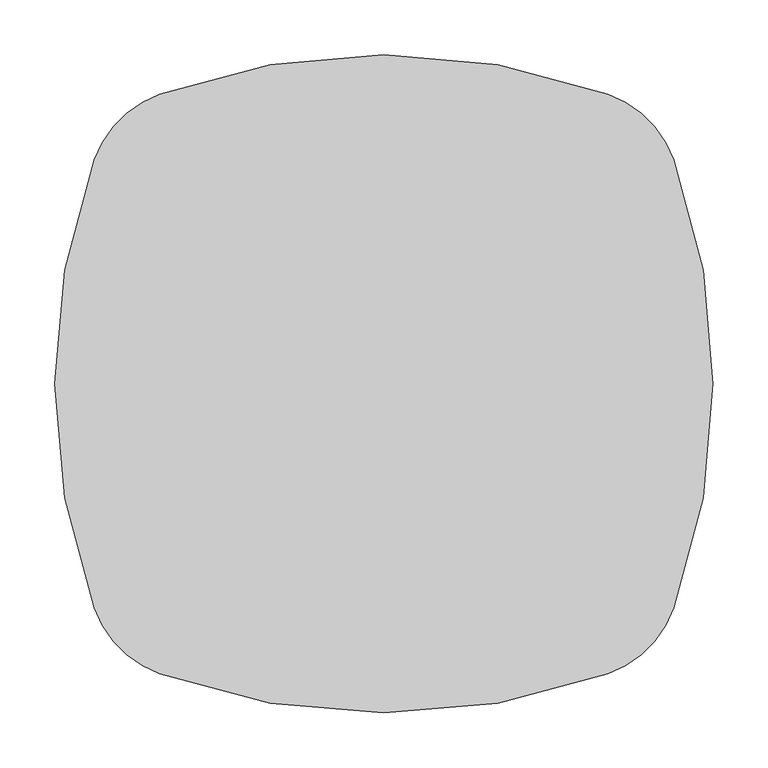
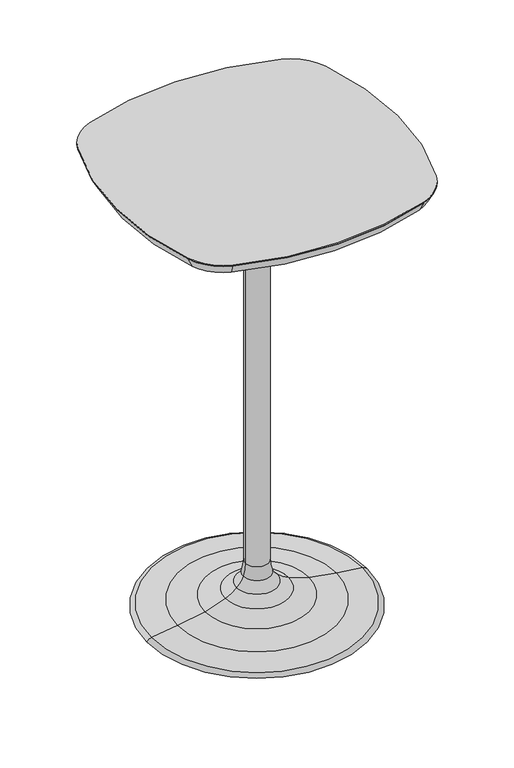
"""IFC4 building model written with IfcOpenShell, lengths in millimetres: furniture geometry."""

from ifc_helpers import new_model, si_unit, point, frame, frame_2d, origin, place, context, project, spatial, polyline, circle_curve, ellipse_curve, trimmed, segment, composite_curve, outline, extrude, source, transform, mapped, element, save
from ifc_brep_helpers import plane_surface, cylinder_surface, revolved_surface, advanced_brep


def furniture_60706d68(model_context):
    return source(origin(), model_context, "Body", "SolidModel", [
        advanced_brep(
        [(-24.92375, 0.0, 103.9034704), (24.92375, 0.0, 103.9034704), (28.9852947, 0.0, 76.2614348), (-28.9852947, 0.0, 76.2614348), (-235.1702385, 0.0, 0.0), (235.1702385, 0.0, 0.0), (0.0, 0.0, 0.0), (-225.5797628, 0.0, 6.3317609), (225.5797628, 0.0, 6.3317609), (-169.5916105, 0.0, 13.7450132), (169.5916105, 0.0, 13.7450132), (-111.1444513, 0.0, 24.5145298), (111.1444513, 0.0, 24.5145298), (-67.9920708, 0.0, 39.4343904), (67.9920708, 0.0, 39.4343904), (-43.5947227, 0.0, 55.2178338), (43.5947227, 0.0, 55.2178338), (-24.92375, 0.0, 973.9122), (24.92375, 0.0, 973.9122), (0.0, 0.0, 973.9122)],
        [
            (0, 1, circle_curve(frame((0.0, 0.0, 103.9034704), z_axis=(0.0, 0.0, -1.0), x_axis=(1.0, 0.0, 0.0)), 24.92375)),
            (1, 2, circle_curve(frame((114.4590349, 0.0, 102.9398086), z_axis=(0.0, -1.0, 0.0), x_axis=(1.0, 0.0, 0.0)), 89.5404706)),
            (2, 3, circle_curve(frame((0.0, 0.0, 76.2614348), z_axis=(0.0, 0.0, 1.0), x_axis=(1.0, 0.0, 0.0)), 28.9852947)),
            (3, 0, circle_curve(frame((-114.4590349, 0.0, 102.9398086), z_axis=(0.0, -1.0, 0.0), x_axis=(-1.0, 0.0, 0.0)), 89.5404706)),
            (1, 0, circle_curve(frame((0.0, 0.0, 103.9034704), z_axis=(0.0, 0.0, -1.0), x_axis=(1.0, 0.0, 0.0)), 24.92375)),
            (3, 2, circle_curve(frame((0.0, 0.0, 76.2614348), z_axis=(0.0, 0.0, 1.0), x_axis=(1.0, 0.0, 0.0)), 28.9852947)),
            (4, 5, circle_curve(frame((0.0, 0.0, 0.0), z_axis=(0.0, 0.0, -1.0), x_axis=(1.0, 0.0, 0.0)), 235.1702385)),
            (5, 6),
            (6, 4),
            (5, 4, circle_curve(frame((0.0, 0.0, 0.0), z_axis=(0.0, 0.0, -1.0), x_axis=(1.0, 0.0, 0.0)), 235.1702385)),
            (7, 8, circle_curve(frame((0.0, 0.0, 6.3317609), z_axis=(0.0, 0.0, -1.0), x_axis=(1.0, 0.0, 0.0)), 225.5797628)),
            (8, 5, circle_curve(frame((223.5189163, 0.0, -7.2187678), z_axis=(0.0, 1.0, 0.0), x_axis=(1.0, 0.0, 0.0)), 13.7063459)),
            (4, 7, circle_curve(frame((-223.5189163, 0.0, -7.2187678), z_axis=(0.0, 1.0, 0.0), x_axis=(-1.0, 0.0, 0.0)), 13.7063459)),
            (8, 7, circle_curve(frame((0.0, 0.0, 6.3317609), z_axis=(0.0, 0.0, -1.0), x_axis=(1.0, 0.0, 0.0)), 225.5797628)),
            (9, 10, circle_curve(frame((0.0, 0.0, 13.7450132), z_axis=(0.0, 0.0, -1.0), x_axis=(1.0, 0.0, 0.0)), 169.5916105)),
            (10, 8, circle_curve(frame((5.4338515, 0.0, -1441.1770536), z_axis=(0.0, 1.0, 0.0), x_axis=(1.0, 0.0, 0.0)), 1464.1536771)),
            (7, 9, circle_curve(frame((-5.4338515, 0.0, -1441.1770536), z_axis=(0.0, 1.0, 0.0), x_axis=(-1.0, 0.0, 0.0)), 1464.1536771)),
            (10, 9, circle_curve(frame((0.0, 0.0, 13.7450132), z_axis=(0.0, 0.0, -1.0), x_axis=(1.0, 0.0, 0.0)), 169.5916105)),
            (11, 12, circle_curve(frame((0.0, 0.0, 24.5145298), z_axis=(0.0, 0.0, -1.0), x_axis=(1.0, 0.0, 0.0)), 111.1444513)),
            (12, 10, circle_curve(frame((217.3187895, 0.0, 436.7486305), z_axis=(0.0, -1.0, 0.0), x_axis=(1.0, 0.0, 0.0)), 425.687613)),
            (9, 11, circle_curve(frame((-217.3187895, 0.0, 436.7486305), z_axis=(0.0, -1.0, 0.0), x_axis=(-1.0, 0.0, 0.0)), 425.687613)),
            (12, 11, circle_curve(frame((0.0, 0.0, 24.5145298), z_axis=(0.0, 0.0, -1.0), x_axis=(1.0, 0.0, 0.0)), 111.1444513)),
            (13, 14, circle_curve(frame((0.0, 0.0, 39.4343904), z_axis=(0.0, 0.0, -1.0), x_axis=(1.0, 0.0, 0.0)), 67.9920708)),
            (14, 12, circle_curve(frame((181.690368, 0.0, 298.4171793), z_axis=(0.0, -1.0, 0.0), x_axis=(1.0, 0.0, 0.0)), 282.8416301)),
            (11, 13, circle_curve(frame((-181.690368, 0.0, 298.4171793), z_axis=(0.0, -1.0, 0.0), x_axis=(-1.0, 0.0, 0.0)), 282.8416301)),
            (14, 13, circle_curve(frame((0.0, 0.0, 39.4343904), z_axis=(0.0, 0.0, -1.0), x_axis=(1.0, 0.0, 0.0)), 67.9920708)),
            (15, 16, circle_curve(frame((0.0, 0.0, 55.2178338), z_axis=(0.0, 0.0, -1.0), x_axis=(1.0, 0.0, 0.0)), 43.5947227)),
            (16, 14, circle_curve(frame((104.5303424, 0.0, 122.6615249), z_axis=(0.0, -1.0, 0.0), x_axis=(1.0, 0.0, 0.0)), 90.894451)),
            (13, 15, circle_curve(frame((-104.5303424, 0.0, 122.6615249), z_axis=(0.0, -1.0, 0.0), x_axis=(-1.0, 0.0, 0.0)), 90.894451)),
            (16, 15, circle_curve(frame((0.0, 0.0, 55.2178338), z_axis=(0.0, 0.0, -1.0), x_axis=(1.0, 0.0, 0.0)), 43.5947227)),
            (2, 16, circle_curve(frame((81.3908921, 0.0, 97.0507254), z_axis=(0.0, -1.0, 0.0), x_axis=(1.0, 0.0, 0.0)), 56.3785529)),
            (15, 3, circle_curve(frame((-81.3908921, 0.0, 97.0507254), z_axis=(0.0, -1.0, 0.0), x_axis=(-1.0, 0.0, 0.0)), 56.3785529)),
            (17, 18, circle_curve(frame((0.0, 0.0, 973.9122), z_axis=(0.0, 0.0, -1.0), x_axis=(1.0, 0.0, 0.0)), 24.92375)),
            (18, 1),
            (0, 17),
            (18, 17, circle_curve(frame((0.0, 0.0, 973.9122), z_axis=(0.0, 0.0, -1.0), x_axis=(1.0, 0.0, 0.0)), 24.92375)),
            (19, 18),
            (17, 19),
        ],
        [
            revolved_surface(trimmed(ellipse_curve(frame((114.4590349, 0.0, 102.9398086), z_axis=(0.0, 1.0, 0.0), x_axis=(1.0, 0.0, 0.0)), 89.5404706, 89.5404706), [point((28.9852947, 0.0, 76.2614348))], [point((24.92375, 0.0, 103.9034704))], True, "CARTESIAN"), (0.0, 0.0, 2426.207979), (0.0, 0.0, 1.0)),
            plane_surface(frame((0.0, 0.0, 0.0), z_axis=(0.0, 0.0, -1.0), x_axis=(1.0, 0.0, 0.0))),
            revolved_surface(trimmed(ellipse_curve(frame((223.5189163, 0.0, -7.2187678), z_axis=(0.0, -1.0, 0.0), x_axis=(1.0, 0.0, 0.0)), 13.7063459, 13.7063459), [point((235.1702385, 0.0, 0.0))], [point((225.5797628, 0.0, 6.3317609))], True, "CARTESIAN"), (0.0, 0.0, 2426.207979), (0.0, 0.0, 1.0)),
            revolved_surface(trimmed(ellipse_curve(frame((5.4338515, 0.0, -1441.1770536), z_axis=(0.0, -1.0, 0.0), x_axis=(1.0, 0.0, 0.0)), 1464.1536771, 1464.1536771), [point((225.5797628, 0.0, 6.3317609))], [point((169.5916105, 0.0, 13.7450132))], True, "CARTESIAN"), (0.0, 0.0, 2426.207979), (0.0, 0.0, 1.0)),
            revolved_surface(trimmed(ellipse_curve(frame((217.3187895, 0.0, 436.7486305), z_axis=(0.0, 1.0, 0.0), x_axis=(1.0, 0.0, 0.0)), 425.687613, 425.687613), [point((169.5916105, 0.0, 13.7450132))], [point((111.1444513, 0.0, 24.5145298))], True, "CARTESIAN"), (0.0, 0.0, 2426.207979), (0.0, 0.0, 1.0)),
            revolved_surface(trimmed(ellipse_curve(frame((181.690368, 0.0, 298.4171793), z_axis=(0.0, 1.0, 0.0), x_axis=(1.0, 0.0, 0.0)), 282.8416301, 282.8416301), [point((111.1444513, 0.0, 24.5145298))], [point((67.9920708, 0.0, 39.4343904))], True, "CARTESIAN"), (0.0, 0.0, 2426.207979), (0.0, 0.0, 1.0)),
            revolved_surface(trimmed(ellipse_curve(frame((104.5303424, 0.0, 122.6615249), z_axis=(0.0, 1.0, 0.0), x_axis=(1.0, 0.0, 0.0)), 90.894451, 90.894451), [point((67.9920708, 0.0, 39.4343904))], [point((43.5947227, 0.0, 55.2178338))], True, "CARTESIAN"), (0.0, 0.0, 2426.207979), (0.0, 0.0, 1.0)),
            revolved_surface(trimmed(ellipse_curve(frame((81.3908921, 0.0, 97.0507254), z_axis=(0.0, 1.0, 0.0), x_axis=(1.0, 0.0, 0.0)), 56.3785529, 56.3785529), [point((43.5947227, 0.0, 55.2178338))], [point((28.9852947, 0.0, 76.2614348))], True, "CARTESIAN"), (0.0, 0.0, 2426.207979), (0.0, 0.0, 1.0)),
            cylinder_surface(frame((0.0, 0.0, 2426.207979), z_axis=(0.0, 0.0, 1.0), x_axis=(1.0, 0.0, 0.0)), 24.92375),
            plane_surface(frame((0.0, 0.0, 973.9122), z_axis=(0.0, 0.0, 1.0), x_axis=(1.0, 0.0, 0.0))),
        ],
        [
            (0, [[1, 2, 3, 4]]),
            (0, [[5, -4, 6, -2]]),
            (1, [[7, 8, 9]]),
            (1, [[10, -9, -8]]),
            (2, [[11, 12, -7, 13]]),
            (2, [[14, -13, -10, -12]]),
            (3, [[15, 16, -11, 17]]),
            (3, [[18, -17, -14, -16]]),
            (4, [[19, 20, -15, 21]]),
            (4, [[22, -21, -18, -20]]),
            (5, [[23, 24, -19, 25]]),
            (5, [[26, -25, -22, -24]]),
            (6, [[27, 28, -23, 29]]),
            (6, [[30, -29, -26, -28]]),
            (7, [[-3, 31, -27, 32]]),
            (7, [[-6, -32, -30, -31]]),
            (8, [[33, 34, -1, 35]]),
            (8, [[36, -35, -5, -34]]),
            (9, [[37, -33, 38]]),
            (9, [[-38, -36, -37]]),
        ],
    ),
        advanced_brep(
        [(-264.1875437, -204.1874282, 996.7722), (-204.187464, -264.187508, 996.7722), (204.1873913, -264.187508, 996.7722), (264.1873627, -204.1875366, 996.7722), (264.1873627, 204.1873913, 996.7722), (204.1873913, 264.1873627, 996.7722), (-204.187464, 264.1873627, 996.7722), (-264.1875437, 204.1872829, 996.7722), (-252.2455553, -199.8655176, 973.9122), (-252.2455553, 199.8653723, 973.9122), (-199.8655533, 252.2453742, 973.9122), (199.8654807, 252.2453742, 973.9122), (252.2453742, 199.8654807, 973.9122), (252.2453742, -199.865626, 973.9122), (199.8654807, -252.2455195, 973.9122), (-199.8655533, -252.2455195, 973.9122)],
        [
            (0, 1, circle_curve(frame((-170.1569742, -170.1569384, 996.7722), z_axis=(0.0, 0.0, 1.0), x_axis=(-0.9403140528037179, -0.3403079224758758, 0.0)), 99.9991112)),
            (1, 2, circle_curve(frame((-3.63e-05, 300.0083126, 996.7722), z_axis=(0.0, 0.0, 1.0), x_axis=(-0.3403079224829072, -0.9403140528011732, 0.0)), 600.007858)),
            (2, 3, circle_curve(frame((170.156963, -170.1571083, 996.7722), z_axis=(-2.438049762076838e-12, 2.458773925203174e-12, 1.0), x_axis=(0.34030792248213193, -0.9403140528014539, 3.1417722873690966e-12)), 99.9989306)),
            (3, 4, circle_curve(frame((-300.0085584, -7.27e-05, 996.7722), z_axis=(0.0, 0.0, 1.0), x_axis=(0.9403140528023562, -0.3403079224796386, 0.0)), 600.0079647)),
            (4, 5, circle_curve(frame((170.156963, 170.156963, 996.7722), z_axis=(2.268259654177498e-11, 2.2561212157749294e-11, 1.0), x_axis=(0.9403140527998477, 0.34030792248656994, -2.900658467302052e-11)), 99.9989306)),
            (5, 6, circle_curve(frame((-3.63e-05, -300.008458, 996.7722), z_axis=(0.0, 0.0, 1.0), x_axis=(0.3403079225097323, 0.9403140527914651, 0.0)), 600.007858)),
            (6, 7, circle_curve(frame((-170.1569742, 170.1567931, 996.7722), z_axis=(-1.965242783323139e-11, 1.992628284597226e-11, 1.0), x_axis=(-0.3403079224706029, 0.9403140528056263, -2.542474022831091e-11)), 99.9991112)),
            (7, 0, circle_curve(frame((300.0080778, -7.27e-05, 996.7722), z_axis=(0.0, 0.0, 1.0), x_axis=(-0.9403140527949745, 0.3403079225000352, 0.0)), 600.0076463)),
            (8, 9, circle_curve(frame((300.0080778, -7.27e-05, 973.9122), z_axis=(0.0, 0.0, -1.0), x_axis=(-0.9403140527949745, 0.3403079225000352, 0.0)), 587.3076463)),
            (9, 10, circle_curve(frame((-170.1569742, 170.1567931, 973.9122), z_axis=(1.965242783323139e-11, -1.992628284597226e-11, -1.0), x_axis=(-0.3403079224706029, 0.9403140528056263, -2.542474022831091e-11)), 87.2991112)),
            (10, 11, circle_curve(frame((-3.63e-05, -300.008458, 973.9122), z_axis=(0.0, 0.0, -1.0), x_axis=(0.3403079225097323, 0.9403140527914651, 0.0)), 587.307858)),
            (11, 12, circle_curve(frame((170.156963, 170.156963, 973.9122), z_axis=(-2.268259654177498e-11, -2.2561212157749294e-11, -1.0), x_axis=(0.9403140527998477, 0.34030792248656994, -2.900658467302052e-11)), 87.2989306)),
            (12, 13, circle_curve(frame((-300.0085584, -7.27e-05, 973.9122), z_axis=(0.0, 0.0, -1.0), x_axis=(0.9403140528023562, -0.3403079224796386, 0.0)), 587.3079647)),
            (13, 14, circle_curve(frame((170.156963, -170.1571083, 973.9122), z_axis=(2.438049762076838e-12, -2.458773925203174e-12, -1.0), x_axis=(0.34030792248213193, -0.9403140528014539, 3.1417722873690966e-12)), 87.2989306)),
            (14, 15, circle_curve(frame((-3.63e-05, 300.0083126, 973.9122), z_axis=(0.0, 0.0, -1.0), x_axis=(-0.3403079224829072, -0.9403140528011732, 0.0)), 587.307858)),
            (15, 8, circle_curve(frame((-170.1569742, -170.1569384, 973.9122), z_axis=(0.0, 0.0, -1.0), x_axis=(-0.9403140528037179, -0.3403079224758758, 0.0)), 87.2991112)),
            (15, 1),
            (0, 8),
            (14, 2),
            (13, 3),
            (12, 4),
            (11, 5),
            (10, 6),
            (9, 7),
        ],
        [
            plane_surface(frame((-6.34e-05, -7.27e-05, 996.7722), z_axis=(0.0, 0.0, 1.0000000000000002), x_axis=(-0.34030792247608904, -0.9403140528036409, 0.0))),
            plane_surface(frame((-6.34e-05, -7.27e-05, 973.9122), z_axis=(0.0, 0.0, -1.0000000000000002), x_axis=(-0.34030792247608904, -0.9403140528036409, 0.0))),
            revolved_surface(polyline([(-199.86555338321887, -252.24551952306018, 973.9122), (-204.187464, -264.187508, 996.7722)]), (-170.1569742, -170.1569384, 816.7737998), (0.0, 0.0, 1.0)),
            revolved_surface(polyline([(199.8654806846892, -252.24551952976987, 973.9122000000001), (204.1873913, -264.1875079999999, 996.7722)]), (-3.63e-05, 300.0083126, -83.2419443), (0.0, 0.0, 1.0)),
            revolved_surface(polyline([(252.24537423180163, -199.8656259878679, 973.9121999999988), (264.1873627001635, -204.18753660005916, 996.7722000003129)]), (170.156963, -170.1571083, 816.7741249), (-2.438049762076838e-12, 2.458773925203174e-12, 1.0)),
            revolved_surface(polyline([(252.2453742277517, 199.86548068336256, 973.9122), (264.18736270000005, 204.1873913, 996.7721999999999)]), (-300.0085584, -7.27e-05, -83.2421365), (0.0, 0.0, 1.0)),
            revolved_surface(polyline([(199.86548068739057, 252.2453742304827, 973.9121999974741), (204.1873913000014, 264.1873627000038, 996.7722000000073)]), (170.156963, 170.156963, 816.7741249), (2.268259654177498e-11, 2.2561212157749294e-11, 1.0)),
            revolved_surface(polyline([(-199.86555338257256, 252.24537422765331, 973.9122000000001), (-204.187464, 264.1873627, 996.7722)]), (-3.63e-05, -300.008458, -83.2419443), (0.0, 0.0, 1.0)),
            revolved_surface(polyline([(-252.24555522854268, 199.86537228520302, 973.9121999977947), (-264.1875437000086, 204.1872829000031, 996.7722000000165)]), (-170.1569741, 170.1567931, 816.7737997), (-1.965242783323139e-11, 1.992628284597226e-11, 1.0)),
            revolved_surface(polyline([(-252.2455552311851, -199.86551758613183, 973.9122), (-264.1875437, -204.1874282, 996.7721999999999)]), (300.0080778, -7.27e-05, -83.2415633), (0.0, 0.0, 1.0)),
        ],
        [
            (0, [[1, 2, 3, 4, 5, 6, 7, 8]]),
            (1, [[9, 10, 11, 12, 13, 14, 15, 16]]),
            (2, [[-16, 17, -1, 18]]),
            (3, [[-15, 19, -2, -17]]),
            (4, [[-14, 20, -3, -19]]),
            (5, [[-13, 21, -4, -20]]),
            (6, [[-12, 22, -5, -21]]),
            (7, [[-11, 23, -6, -22]]),
            (8, [[-10, 24, -7, -23]]),
            (9, [[-9, -18, -8, -24]]),
        ],
    ),
        extrude(outline(composite_curve([segment(trimmed(circle_curve(frame_2d((170.156963, 170.156963)), 99.9989306), [point((204.1873913, 264.1873627))], [point((264.1873627, 204.1873913))], False, "CARTESIAN"), True, "CONTINUOUS"), segment(trimmed(circle_curve(frame_2d((-300.0085584, -7.27e-05)), 600.0079647), [point((264.1873627, 204.1873913))], [point((264.1873627, -204.1875366))], False, "CARTESIAN"), True, "CONTINUOUS"), segment(trimmed(circle_curve(frame_2d((170.156963, -170.1571083)), 99.9989306), [point((264.1873627, -204.1875366))], [point((204.1873913, -264.187508))], False, "CARTESIAN"), True, "CONTINUOUS"), segment(trimmed(circle_curve(frame_2d((-3.63e-05, 300.0083126)), 600.007858), [point((204.1873913, -264.187508))], [point((-204.187464, -264.187508))], False, "CARTESIAN"), True, "CONTINUOUS"), segment(trimmed(circle_curve(frame_2d((-170.1569742, -170.1569384)), 99.9991112), [point((-204.187464, -264.187508))], [point((-264.1875437, -204.1874282))], False, "CARTESIAN"), True, "CONTINUOUS"), segment(trimmed(circle_curve(frame_2d((300.0080778, -7.27e-05)), 600.0076463), [point((-264.1875437, -204.1874282))], [point((-264.1875437, 204.1872829))], False, "CARTESIAN"), True, "CONTINUOUS"), segment(trimmed(circle_curve(frame_2d((-170.1569742, 170.1567931)), 99.9991112), [point((-264.1875437, 204.1872829))], [point((-204.187464, 264.1873627))], False, "CARTESIAN"), True, "CONTINUOUS"), segment(trimmed(circle_curve(frame_2d((-3.63e-05, -300.008458)), 600.007858), [point((-204.187464, 264.1873627))], [point((204.1873913, 264.1873627))], False, "CARTESIAN"), True, "CONTINUOUS")], self_intersect=False)), frame((0.0, 0.0, 996.7722), z_axis=(0.0, 0.0, 1.0), x_axis=(1.0, 0.0, 0.0)), (0.0, 0.0, 1.0), 2.54),
    ])


if __name__ == "__main__":
    model = new_model("IFC4")
    model_context = context("Model", 3, world=origin())
    ifc_project = project(units=[si_unit("LENGTHUNIT", "METRE", prefix="MILLI")], contexts=[model_context])
    site = spatial("IfcSite", under=ifc_project)
    building = spatial("IfcBuilding", under=site)
    placement = place(None, origin())
    furniture_shape = furniture_60706d68(model_context)
    element("IfcFurniture", 1, at=placement, inside=building, context=model_context, shape_type="MappedRepresentation", body=[
        mapped(furniture_shape, transform((0.0, 0.0, 0.0), x_axis=(1.0, 0.0, 0.0), y_axis=(0.0, 1.0, 0.0), z_axis=(0.0, 0.0, 1.0))),
    ])
    save(model, "model.ifc")
